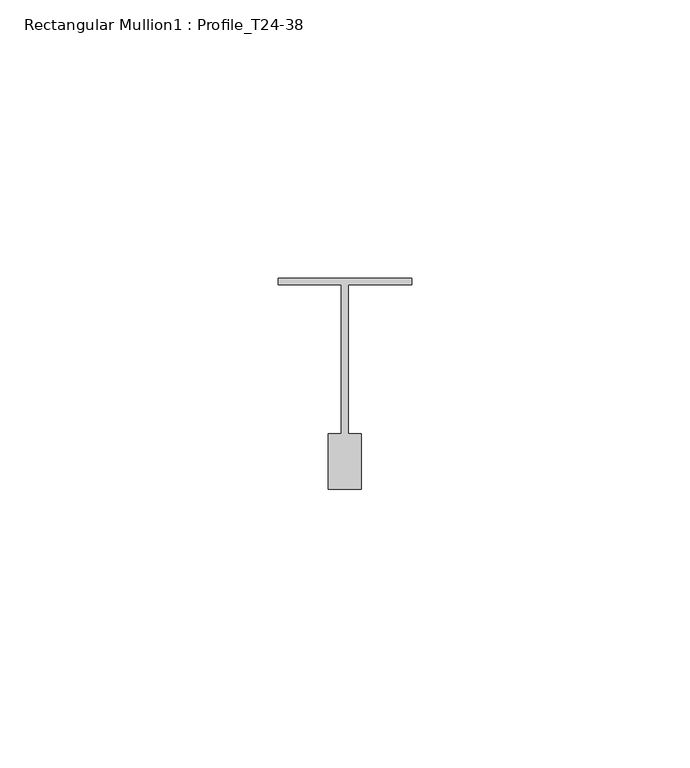
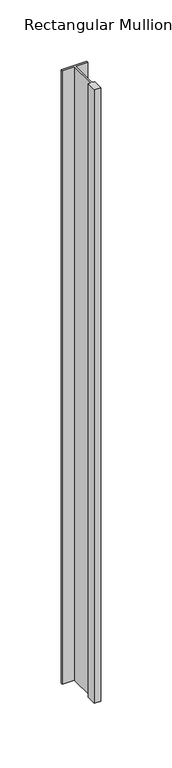
"""IFC4 building model written with IfcOpenShell, lengths in millimetres: member geometry, Rectangular Mullion1 : Profile_T24-38."""

import ifcopenshell
import ifcopenshell.guid

model = None  # the IFC model being written
_history = None  # IfcOwnerHistory: only IFC2X3 demands one
_inside = {}  # id of a spatial element -> (the spatial element, [elements in it])
_under = {}  # id of a project, library or spatial element -> (it, [spatial elements below it])
_declared = {}  # id of a project -> (the project, [libraries it declares])
_typed = {}  # id of a type object -> (the type object, [elements of that type])
_made_of = {}  # id of a material, layer set ... -> (it, [elements and type objects made of it])


def new_model(schema):
    """Start an empty IFC model of exactly this schema.

    Asked for "IFC4X3", IfcOpenShell would pick the latest addendum, in which some entities
    have other attributes; the version numbers below select the first issue.
    IFC2X3 requires an IfcOwnerHistory on every rooted entity: one is made here for all.
    """
    global model, _history
    if schema == "IFC4X3":
        model = ifcopenshell.file(schema_version=(4, 3, 0, 0))
    else:
        model = ifcopenshell.file(schema=schema)
    _inside.clear()
    _under.clear()
    _declared.clear()
    _typed.clear()
    _made_of.clear()
    _history = None
    if model.schema == "IFC2X3":
        org = make("IfcOrganization", Name="unknown")
        user = make(
            "IfcPersonAndOrganization",
            ThePerson=make("IfcPerson", FamilyName="unknown"),
            TheOrganization=org,
        )
        app = make(
            "IfcApplication",
            ApplicationDeveloper=org,
            Version="unknown",
            ApplicationFullName="unknown",
            ApplicationIdentifier="unknown",
        )
        _history = make(
            "IfcOwnerHistory",
            OwningUser=user,
            OwningApplication=app,
            ChangeAction="ADDED",
            CreationDate=0,
        )
    return model


def make(cls, **values):
    """One entity of the class cls with the attributes given. An attribute that is None is left unset."""
    return model.create_entity(
        cls, **{name: value for name, value in values.items() if value is not None}
    )


def rooted(cls, **values):
    """An entity with a GlobalId (a new one), such as an element, a storey or a relation."""
    return make(cls, GlobalId=ifcopenshell.guid.new(), OwnerHistory=_history, **values)


def si_unit(unit_type, name, prefix=None):
    """IfcSIUnit, for example si_unit("LENGTHUNIT", "METRE", prefix="MILLI")."""
    return make("IfcSIUnit", UnitType=unit_type, Prefix=prefix, Name=name)


def assignment(units):
    """IfcUnitAssignment: the units of a project."""
    return None if units is None else make("IfcUnitAssignment", Units=units)


def point(xyz):
    """IfcCartesianPoint."""
    return None if xyz is None else make("IfcCartesianPoint", Coordinates=xyz)


def direction(xyz):
    """IfcDirection."""
    return None if xyz is None else make("IfcDirection", DirectionRatios=xyz)


def frame(location, z_axis=None, x_axis=None):
    """IfcAxis2Placement3D, a coordinate frame: its origin and axes. An axis left out is left unset."""
    return make(
        "IfcAxis2Placement3D",
        Location=point(location),
        Axis=direction(z_axis),
        RefDirection=direction(x_axis),
    )


def origin():
    """The frame at (0, 0, 0) with its axes left unset."""
    return frame((0.0, 0.0, 0.0))


def place(relative_to, where):
    """IfcLocalPlacement: puts the frame where relative to a parent placement (None: the world)."""
    return make(
        "IfcLocalPlacement", PlacementRelTo=relative_to, RelativePlacement=where
    )


def context(
    kind, dimensions, precision=None, world=None, true_north=None, identifier=None
):
    """IfcGeometricRepresentationContext, for example the 3D "Model" context."""
    return make(
        "IfcGeometricRepresentationContext",
        ContextIdentifier=identifier,
        ContextType=kind,
        CoordinateSpaceDimension=dimensions,
        Precision=precision,
        WorldCoordinateSystem=world,
        TrueNorth=true_north,
    )


def project(units=None, contexts=None):
    """IfcProject with its units and contexts."""
    return rooted(
        "IfcProject",
        Name="project",
        RepresentationContexts=contexts,
        UnitsInContext=assignment(units),
    )


def spatial(cls, under=None, at=None, **own):
    """A site, building, storey or space (cls), placed at a placement, below another one or the project."""
    s = rooted(cls, ObjectPlacement=at, **own)
    if under is not None:
        _under.setdefault(under.id(), (under, []))[1].append(s)
    return s


def polyline(points):
    """IfcPolyline through the points."""
    return make("IfcPolyline", Points=[point(p) for p in points])


def outline(outer, holes=None, kind="AREA"):
    """IfcArbitraryClosedProfileDef: a profile drawn as a closed curve; with holes, ...WithVoids."""
    if holes is None:
        return make("IfcArbitraryClosedProfileDef", ProfileType=kind, OuterCurve=outer)
    return make(
        "IfcArbitraryProfileDefWithVoids",
        ProfileType=kind,
        OuterCurve=outer,
        InnerCurves=holes,
    )


def extrude(swept, where, along, depth):
    """IfcExtrudedAreaSolid: the profile swept, set in the frame where, extruded along a direction by depth."""
    return make(
        "IfcExtrudedAreaSolid",
        SweptArea=swept,
        Position=where,
        ExtrudedDirection=direction(along),
        Depth=depth,
    )


def shape(context_of_items, identifier, shape_type, items):
    """IfcShapeRepresentation: the items that make up one representation, for example the "Body"."""
    return make(
        "IfcShapeRepresentation",
        ContextOfItems=context_of_items,
        RepresentationIdentifier=identifier,
        RepresentationType=shape_type,
        Items=items,
    )


def source(mapping_origin, context_of_items, identifier, shape_type, items):
    """IfcRepresentationMap: a shape defined once, which mapped items show again and again."""
    return make(
        "IfcRepresentationMap",
        MappingOrigin=mapping_origin,
        MappedRepresentation=shape(context_of_items, identifier, shape_type, items),
    )


def transform(
    local_origin,
    x_axis=None,
    y_axis=None,
    z_axis=None,
    scale=None,
    scale2=None,
    scale3=None,
    uniform=True,
):
    """IfcCartesianTransformationOperator3D, or its non-uniform kind. x_axis, y_axis, z_axis: its Axis1, 2, 3."""
    if uniform:
        return make(
            "IfcCartesianTransformationOperator3D",
            Axis1=direction(x_axis),
            Axis2=direction(y_axis),
            LocalOrigin=point(local_origin),
            Scale=scale,
            Axis3=direction(z_axis),
        )
    return make(
        "IfcCartesianTransformationOperator3DnonUniform",
        Axis1=direction(x_axis),
        Axis2=direction(y_axis),
        LocalOrigin=point(local_origin),
        Scale=scale,
        Axis3=direction(z_axis),
        Scale2=scale2,
        Scale3=scale3,
    )


def mapped(mapping_source, mapping_target):
    """IfcMappedItem: shows the shape of a source again, moved by a transform."""
    return make(
        "IfcMappedItem", MappingSource=mapping_source, MappingTarget=mapping_target
    )


def made_of(thing, what):
    """Note that an element or type object is made of a material, layer set ...; save() writes the relation."""
    if what is not None:
        _made_of.setdefault(what.id(), (what, []))[1].append(thing)
    return thing


def element(
    cls,
    number,
    at=None,
    inside=None,
    cuts=None,
    type_object=None,
    material=None,
    context=None,
    identifier="Body",
    shape_type=None,
    held_by="IfcProductDefinitionShape",
    body=None,
    shapes=None,
    **own,
):
    """One element of the class cls, such as IfcWall. Its Tag is "e" and its number.

    at: its placement. inside: the storey or other place that contains it. cuts: it is an
    opening in that element (IfcRelVoidsElement). A single representation is given by context,
    identifier, shape_type and body (its items); several are given by shapes. held_by: the class
    of the entity that holds the representations. save() writes the other relations.
    """
    e = rooted(cls, Tag="e%d" % number, ObjectPlacement=at, **own)
    if body is not None:
        shapes = [shape(context, identifier, shape_type, body)]
    if shapes is not None:
        e.Representation = make(held_by, Representations=shapes)
    if inside is not None:
        _inside.setdefault(inside.id(), (inside, []))[1].append(e)
    if cuts is not None:
        rooted(
            "IfcRelVoidsElement", RelatingBuildingElement=cuts, RelatedOpeningElement=e
        )
    if type_object is not None:
        _typed.setdefault(type_object.id(), (type_object, []))[1].append(e)
    return made_of(e, material)


def aggregate(whole, parts):
    """IfcRelAggregates: a whole, such as a stair, and the parts it consists of."""
    return rooted("IfcRelAggregates", RelatingObject=whole, RelatedObjects=parts)


def save(model, path):
    """Write the relations noted so far, then the file.

    IfcRelAggregates (storeys below a building ...), IfcRelContainedInSpatialStructure (elements
    in a storey), IfcRelDefinesByType, IfcRelAssociatesMaterial and IfcRelDeclares: one each for
    every whole, place, type object, material and project.
    """
    for whole, parts in _under.values():
        aggregate(whole, parts)
    for where, things in _inside.values():
        rooted(
            "IfcRelContainedInSpatialStructure",
            RelatedElements=things,
            RelatingStructure=where,
        )
    for kind, things in _typed.values():
        rooted("IfcRelDefinesByType", RelatedObjects=things, RelatingType=kind)
    for what, things in _made_of.values():
        rooted("IfcRelAssociatesMaterial", RelatedObjects=things, RelatingMaterial=what)
    for by, libraries in _declared.values():
        rooted("IfcRelDeclares", RelatingContext=by, RelatedDefinitions=libraries)
    model.write(path)


def rectangular_mullion1_profile_t24_38_228082f5(model_context):
    return source(origin(), model_context, "Body", "SweptSolid", [
        extrude(outline(polyline([(-12.0, 3.0), (12.0, 3.0), (12.0, 1.75), (0.6, 1.75), (0.6, -25.0), (3.0, -25.0), (3.0, -35.0), (-3.0, -35.0), (-3.0, -25.0), (-0.6, -25.0), (-0.6, 1.75), (-12.0, 1.75), (-12.0, 3.0)])), frame((0.0, 0.0, -610.0), z_axis=(0.0, 0.0, 1.0), x_axis=(1.0, 0.0, 0.0)), (0.0, 0.0, 1.0), 610.0),
    ])


if __name__ == "__main__":
    model = new_model("IFC4")
    model_context = context("Model", 3, world=origin())
    ifc_project = project(units=[si_unit("LENGTHUNIT", "METRE", prefix="MILLI")], contexts=[model_context])
    site = spatial("IfcSite", under=ifc_project)
    building = spatial("IfcBuilding", under=site)
    placement = place(None, origin())
    rectangular_mullion1_profile_t24_38_shape = rectangular_mullion1_profile_t24_38_228082f5(model_context)
    element("IfcMember", 1, ObjectType="Rectangular Mullion1 : Profile_T24-38", at=placement, inside=building, context=model_context, shape_type="MappedRepresentation", body=[
        mapped(rectangular_mullion1_profile_t24_38_shape, transform((0.0, 0.0, 0.0), x_axis=(1.0, 0.0, 0.0), y_axis=(0.0, 1.0, 0.0), z_axis=(0.0, 0.0, 1.0))),
    ])
    save(model, "model.ifc")
